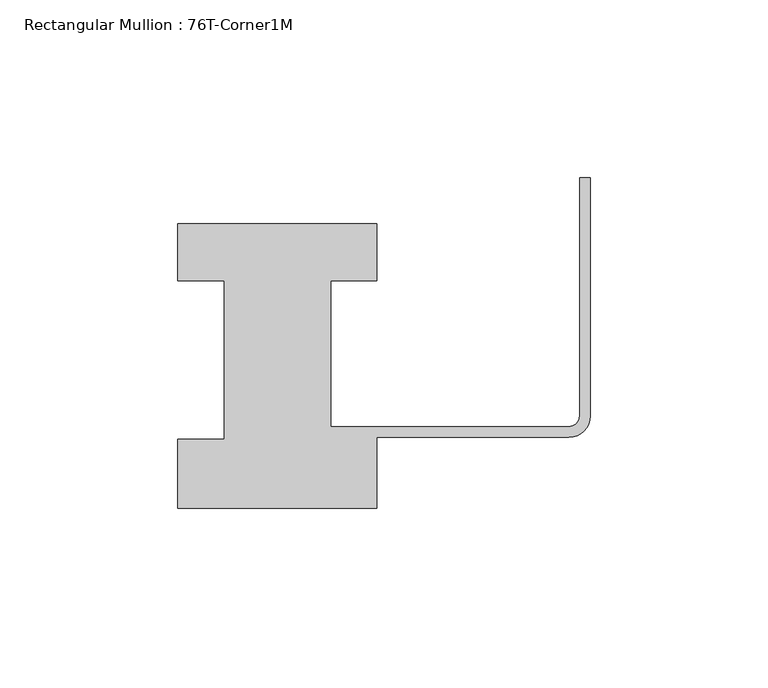
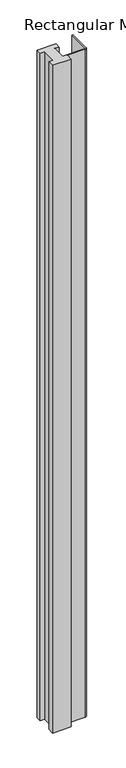
"""IFC4 building model written with IfcOpenShell, lengths in millimetres: member geometry, Rectangular Mullion : 76T-Corner1M."""

from ifc_helpers import new_model, si_unit, point, frame, frame_2d, origin, place, context, project, spatial, polyline, circle_curve, trimmed, segment, composite_curve, outline, extrude, source, transform, mapped, element, save


def rectangular_mullion_76t_corner1m_9e6cf53b(model_context):
    return source(origin(), model_context, "Body", "SweptSolid", [
        extrude(outline(composite_curve([segment(polyline([(-116.0, 44.0), (-116.0, 60.0), (-60.0, 60.0), (-60.0, 44.0), (-73.0, 44.0), (-73.0, 3.0), (-6.0, 3.0)]), True, "CONTINUOUS"), segment(trimmed(circle_curve(frame_2d((-6.0, 6.0)), 3.0), [point((-6.0, 3.0))], [point((-3.0, 6.0))], True, "CARTESIAN"), True, "CONTINUOUS"), segment(polyline([(-3.0, 6.0), (-3.0, 73.0), (0.0, 73.0), (0.0, 6.0)]), True, "CONTINUOUS"), segment(trimmed(circle_curve(frame_2d((-6.0, 6.0)), 6.0), [point((0.0, 6.0))], [point((-6.0, 0.0))], False, "CARTESIAN"), True, "CONTINUOUS"), segment(polyline([(-6.0, 0.0), (-60.0, 0.0), (-60.0, -20.0), (-116.0, -20.0), (-116.0, -0.5), (-103.0, -0.5), (-103.0, 44.0), (-116.0, 44.0)]), True, "CONTINUOUS")], self_intersect=False)), frame((0.0, 0.0, -2124.0), z_axis=(0.0, 0.0, 1.0), x_axis=(1.0, 0.0, 0.0)), (0.0, 0.0, 1.0), 2124.0),
    ])


if __name__ == "__main__":
    model = new_model("IFC4")
    model_context = context("Model", 3, world=origin())
    ifc_project = project(units=[si_unit("LENGTHUNIT", "METRE", prefix="MILLI")], contexts=[model_context])
    site = spatial("IfcSite", under=ifc_project)
    building = spatial("IfcBuilding", under=site)
    placement = place(None, origin())
    rectangular_mullion_76t_corner1m_shape = rectangular_mullion_76t_corner1m_9e6cf53b(model_context)
    element("IfcMember", 1, ObjectType="Rectangular Mullion : 76T-Corner1M", at=placement, inside=building, context=model_context, shape_type="MappedRepresentation", body=[
        mapped(rectangular_mullion_76t_corner1m_shape, transform((0.0, 0.0, 0.0), x_axis=(1.0, 0.0, 0.0), y_axis=(0.0, 1.0, 0.0), z_axis=(0.0, 0.0, 1.0))),
    ])
    save(model, "model.ifc")
